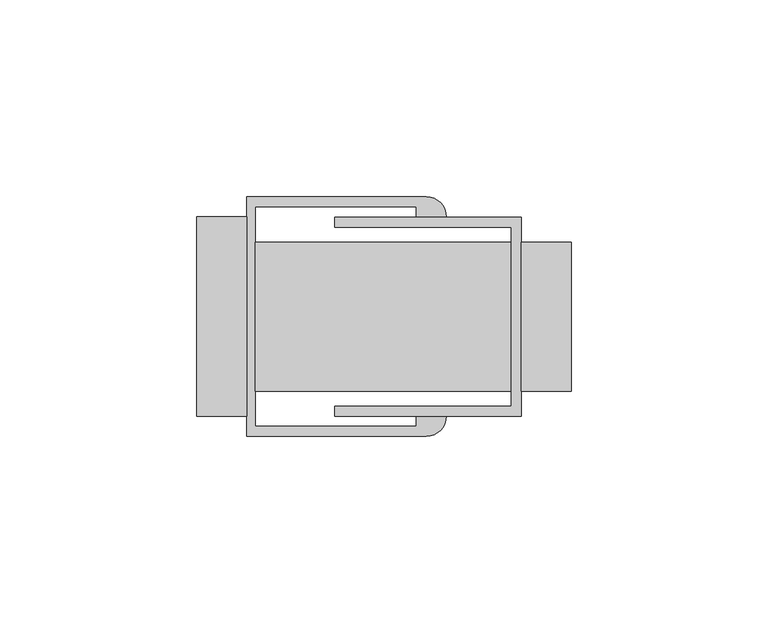
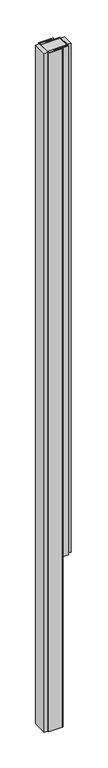
"""IFC4 building model written with IfcOpenShell, lengths in millimetres: proxy geometry."""

import ifcopenshell
import ifcopenshell.guid

model = None  # the IFC model being written
_history = None  # IfcOwnerHistory: only IFC2X3 demands one
_inside = {}  # id of a spatial element -> (the spatial element, [elements in it])
_under = {}  # id of a project, library or spatial element -> (it, [spatial elements below it])
_declared = {}  # id of a project -> (the project, [libraries it declares])
_typed = {}  # id of a type object -> (the type object, [elements of that type])
_made_of = {}  # id of a material, layer set ... -> (it, [elements and type objects made of it])


def new_model(schema):
    """Start an empty IFC model of exactly this schema.

    Asked for "IFC4X3", IfcOpenShell would pick the latest addendum, in which some entities
    have other attributes; the version numbers below select the first issue.
    IFC2X3 requires an IfcOwnerHistory on every rooted entity: one is made here for all.
    """
    global model, _history
    if schema == "IFC4X3":
        model = ifcopenshell.file(schema_version=(4, 3, 0, 0))
    else:
        model = ifcopenshell.file(schema=schema)
    _inside.clear()
    _under.clear()
    _declared.clear()
    _typed.clear()
    _made_of.clear()
    _history = None
    if model.schema == "IFC2X3":
        org = make("IfcOrganization", Name="unknown")
        user = make(
            "IfcPersonAndOrganization",
            ThePerson=make("IfcPerson", FamilyName="unknown"),
            TheOrganization=org,
        )
        app = make(
            "IfcApplication",
            ApplicationDeveloper=org,
            Version="unknown",
            ApplicationFullName="unknown",
            ApplicationIdentifier="unknown",
        )
        _history = make(
            "IfcOwnerHistory",
            OwningUser=user,
            OwningApplication=app,
            ChangeAction="ADDED",
            CreationDate=0,
        )
    return model


def make(cls, **values):
    """One entity of the class cls with the attributes given. An attribute that is None is left unset."""
    return model.create_entity(
        cls, **{name: value for name, value in values.items() if value is not None}
    )


def rooted(cls, **values):
    """An entity with a GlobalId (a new one), such as an element, a storey or a relation."""
    return make(cls, GlobalId=ifcopenshell.guid.new(), OwnerHistory=_history, **values)


def si_unit(unit_type, name, prefix=None):
    """IfcSIUnit, for example si_unit("LENGTHUNIT", "METRE", prefix="MILLI")."""
    return make("IfcSIUnit", UnitType=unit_type, Prefix=prefix, Name=name)


def assignment(units):
    """IfcUnitAssignment: the units of a project."""
    return None if units is None else make("IfcUnitAssignment", Units=units)


def point(xyz):
    """IfcCartesianPoint."""
    return None if xyz is None else make("IfcCartesianPoint", Coordinates=xyz)


def direction(xyz):
    """IfcDirection."""
    return None if xyz is None else make("IfcDirection", DirectionRatios=xyz)


def frame(location, z_axis=None, x_axis=None):
    """IfcAxis2Placement3D, a coordinate frame: its origin and axes. An axis left out is left unset."""
    return make(
        "IfcAxis2Placement3D",
        Location=point(location),
        Axis=direction(z_axis),
        RefDirection=direction(x_axis),
    )


def frame_2d(location, x_axis=None):
    """IfcAxis2Placement2D, a coordinate frame in the plane: its origin and x axis."""
    return make(
        "IfcAxis2Placement2D", Location=point(location), RefDirection=direction(x_axis)
    )


def origin():
    """The frame at (0, 0, 0) with its axes left unset."""
    return frame((0.0, 0.0, 0.0))


def origin_with_axes():
    """The frame at (0, 0, 0) with the z axis (0, 0, 1) and the x axis (1, 0, 0) written out."""
    return frame((0.0, 0.0, 0.0), z_axis=(0.0, 0.0, 1.0), x_axis=(1.0, 0.0, 0.0))


def place(relative_to, where):
    """IfcLocalPlacement: puts the frame where relative to a parent placement (None: the world)."""
    return make(
        "IfcLocalPlacement", PlacementRelTo=relative_to, RelativePlacement=where
    )


def context(
    kind, dimensions, precision=None, world=None, true_north=None, identifier=None
):
    """IfcGeometricRepresentationContext, for example the 3D "Model" context."""
    return make(
        "IfcGeometricRepresentationContext",
        ContextIdentifier=identifier,
        ContextType=kind,
        CoordinateSpaceDimension=dimensions,
        Precision=precision,
        WorldCoordinateSystem=world,
        TrueNorth=true_north,
    )


def project(units=None, contexts=None):
    """IfcProject with its units and contexts."""
    return rooted(
        "IfcProject",
        Name="project",
        RepresentationContexts=contexts,
        UnitsInContext=assignment(units),
    )


def spatial(cls, under=None, at=None, **own):
    """A site, building, storey or space (cls), placed at a placement, below another one or the project."""
    s = rooted(cls, ObjectPlacement=at, **own)
    if under is not None:
        _under.setdefault(under.id(), (under, []))[1].append(s)
    return s


def polyline(points):
    """IfcPolyline through the points."""
    return make("IfcPolyline", Points=[point(p) for p in points])


def circle_curve(where, radius):
    """IfcCircle in the frame where."""
    return make("IfcCircle", Position=where, Radius=radius)


def trimmed(basis, trim1, trim2, sense, master):
    """IfcTrimmedCurve: the piece of a basis curve between two trims."""
    return make(
        "IfcTrimmedCurve",
        BasisCurve=basis,
        Trim1=trim1,
        Trim2=trim2,
        SenseAgreement=sense,
        MasterRepresentation=master,
    )


def segment(curve, same_sense, transition):
    """IfcCompositeCurveSegment."""
    return make(
        "IfcCompositeCurveSegment",
        Transition=transition,
        SameSense=same_sense,
        ParentCurve=curve,
    )


def composite_curve(segments, self_intersect=None):
    """IfcCompositeCurve: segments joined end to end."""
    return make("IfcCompositeCurve", Segments=segments, SelfIntersect=self_intersect)


def outline(outer, holes=None, kind="AREA"):
    """IfcArbitraryClosedProfileDef: a profile drawn as a closed curve; with holes, ...WithVoids."""
    if holes is None:
        return make("IfcArbitraryClosedProfileDef", ProfileType=kind, OuterCurve=outer)
    return make(
        "IfcArbitraryProfileDefWithVoids",
        ProfileType=kind,
        OuterCurve=outer,
        InnerCurves=holes,
    )


def extrude(swept, where, along, depth):
    """IfcExtrudedAreaSolid: the profile swept, set in the frame where, extruded along a direction by depth."""
    return make(
        "IfcExtrudedAreaSolid",
        SweptArea=swept,
        Position=where,
        ExtrudedDirection=direction(along),
        Depth=depth,
    )


def shape(context_of_items, identifier, shape_type, items):
    """IfcShapeRepresentation: the items that make up one representation, for example the "Body"."""
    return make(
        "IfcShapeRepresentation",
        ContextOfItems=context_of_items,
        RepresentationIdentifier=identifier,
        RepresentationType=shape_type,
        Items=items,
    )


def source(mapping_origin, context_of_items, identifier, shape_type, items):
    """IfcRepresentationMap: a shape defined once, which mapped items show again and again."""
    return make(
        "IfcRepresentationMap",
        MappingOrigin=mapping_origin,
        MappedRepresentation=shape(context_of_items, identifier, shape_type, items),
    )


def transform(
    local_origin,
    x_axis=None,
    y_axis=None,
    z_axis=None,
    scale=None,
    scale2=None,
    scale3=None,
    uniform=True,
):
    """IfcCartesianTransformationOperator3D, or its non-uniform kind. x_axis, y_axis, z_axis: its Axis1, 2, 3."""
    if uniform:
        return make(
            "IfcCartesianTransformationOperator3D",
            Axis1=direction(x_axis),
            Axis2=direction(y_axis),
            LocalOrigin=point(local_origin),
            Scale=scale,
            Axis3=direction(z_axis),
        )
    return make(
        "IfcCartesianTransformationOperator3DnonUniform",
        Axis1=direction(x_axis),
        Axis2=direction(y_axis),
        LocalOrigin=point(local_origin),
        Scale=scale,
        Axis3=direction(z_axis),
        Scale2=scale2,
        Scale3=scale3,
    )


def mapped(mapping_source, mapping_target):
    """IfcMappedItem: shows the shape of a source again, moved by a transform."""
    return make(
        "IfcMappedItem", MappingSource=mapping_source, MappingTarget=mapping_target
    )


def made_of(thing, what):
    """Note that an element or type object is made of a material, layer set ...; save() writes the relation."""
    if what is not None:
        _made_of.setdefault(what.id(), (what, []))[1].append(thing)
    return thing


def element(
    cls,
    number,
    at=None,
    inside=None,
    cuts=None,
    type_object=None,
    material=None,
    context=None,
    identifier="Body",
    shape_type=None,
    held_by="IfcProductDefinitionShape",
    body=None,
    shapes=None,
    **own,
):
    """One element of the class cls, such as IfcWall. Its Tag is "e" and its number.

    at: its placement. inside: the storey or other place that contains it. cuts: it is an
    opening in that element (IfcRelVoidsElement). A single representation is given by context,
    identifier, shape_type and body (its items); several are given by shapes. held_by: the class
    of the entity that holds the representations. save() writes the other relations.
    """
    e = rooted(cls, Tag="e%d" % number, ObjectPlacement=at, **own)
    if body is not None:
        shapes = [shape(context, identifier, shape_type, body)]
    if shapes is not None:
        e.Representation = make(held_by, Representations=shapes)
    if inside is not None:
        _inside.setdefault(inside.id(), (inside, []))[1].append(e)
    if cuts is not None:
        rooted(
            "IfcRelVoidsElement", RelatingBuildingElement=cuts, RelatedOpeningElement=e
        )
    if type_object is not None:
        _typed.setdefault(type_object.id(), (type_object, []))[1].append(e)
    return made_of(e, material)


def aggregate(whole, parts):
    """IfcRelAggregates: a whole, such as a stair, and the parts it consists of."""
    return rooted("IfcRelAggregates", RelatingObject=whole, RelatedObjects=parts)


def save(model, path):
    """Write the relations noted so far, then the file.

    IfcRelAggregates (storeys below a building ...), IfcRelContainedInSpatialStructure (elements
    in a storey), IfcRelDefinesByType, IfcRelAssociatesMaterial and IfcRelDeclares: one each for
    every whole, place, type object, material and project.
    """
    for whole, parts in _under.values():
        aggregate(whole, parts)
    for where, things in _inside.values():
        rooted(
            "IfcRelContainedInSpatialStructure",
            RelatedElements=things,
            RelatingStructure=where,
        )
    for kind, things in _typed.values():
        rooted("IfcRelDefinesByType", RelatedObjects=things, RelatingType=kind)
    for what, things in _made_of.values():
        rooted("IfcRelAssociatesMaterial", RelatedObjects=things, RelatingMaterial=what)
    for by, libraries in _declared.values():
        rooted("IfcRelDeclares", RelatingContext=by, RelatedDefinitions=libraries)
    model.write(path)


def generic_models_d8a00798(model_context):
    return source(origin(), model_context, "Body", "SweptSolid", [
        extrude(outline(polyline([(3.2003429, 7.832725), (3.2003429, -30.057725), (-9.4767525, -30.057725), (-9.4767525, 7.832725), (3.2003429, 7.832725)])), frame((0.0, 0.0, 609.6), z_axis=(0.0, 0.0, 1.0), x_axis=(1.0, 0.0, 0.0)), (0.0, 0.0, 1.0), 1828.8),
        extrude(outline(polyline([(-56.9747525, 11.642725), (-56.9747525, 14.182725), (-9.4767525, 14.182725), (-9.4767525, -36.407725), (-56.9747525, -36.407725), (-56.9747525, -33.867725), (-12.0167525, -33.867725), (-12.0167525, 11.642725), (-56.9747525, 11.642725)])), frame((0.0, 0.0, 609.6), z_axis=(0.0, 0.0, 1.0), x_axis=(1.0, 0.0, 0.0)), (0.0, 0.0, 1.0), 1828.8),
        extrude(outline(polyline([(-79.3725617, 14.2875), (-79.3725617, -36.5125), (-92.0496571, -36.5125), (-92.0496571, 14.2875), (-79.3725617, 14.2875)])), origin_with_axes(), (0.0, 0.0, 1.0), 2438.4),
        extrude(outline(polyline([(-12.0167525, 7.832725), (-12.0167525, -30.057725), (-77.2019926, -30.057725), (-77.2019926, 7.832725), (-12.0167525, 7.832725)])), frame((0.0, 0.0, 609.6), z_axis=(0.0, 0.0, 1.0), x_axis=(1.0, 0.0, 0.0)), (0.0, 0.0, 1.0), 1828.8),
        extrude(outline(composite_curve([segment(polyline([(-36.1858745, 16.8275), (-77.2019926, 16.8275), (-77.2019926, -39.0128125), (-36.1858745, -39.0128125), (-36.1858745, -36.4728125), (-28.5658745, -36.4728125)]), True, "CONTINUOUS"), segment(trimmed(circle_curve(frame_2d((-33.6458745, -36.4728125)), 5.08), [point((-28.5658745, -36.4728125))], [point((-33.6458745, -41.5528125))], False, "CARTESIAN"), True, "CONTINUOUS"), segment(polyline([(-33.6458745, -41.5528125), (-79.3725617, -41.5528125), (-79.3725617, 19.3675), (-33.6458745, 19.3675)]), True, "CONTINUOUS"), segment(trimmed(circle_curve(frame_2d((-33.6458745, 14.2875)), 5.08), [point((-33.6458745, 19.3675))], [point((-28.5658745, 14.2875))], False, "CARTESIAN"), True, "CONTINUOUS"), segment(polyline([(-28.5658745, 14.2875), (-36.1858745, 14.2875), (-36.1858745, 16.8275)]), True, "CONTINUOUS")], self_intersect=False)), origin_with_axes(), (0.0, 0.0, 1.0), 2438.4),
    ])


if __name__ == "__main__":
    model = new_model("IFC4")
    model_context = context("Model", 3, world=origin())
    ifc_project = project(units=[si_unit("LENGTHUNIT", "METRE", prefix="MILLI")], contexts=[model_context])
    site = spatial("IfcSite", under=ifc_project)
    building = spatial("IfcBuilding", under=site)
    placement = place(None, origin())
    generic_models_shape = generic_models_d8a00798(model_context)
    element("IfcBuildingElementProxy", 1, Name="Generic Models", at=placement, inside=building, context=model_context, shape_type="MappedRepresentation", body=[
        mapped(generic_models_shape, transform((0.0, 0.0, 0.0), x_axis=(1.0, 0.0, 0.0), y_axis=(0.0, 1.0, 0.0), z_axis=(0.0, 0.0, 1.0))),
    ])
    save(model, "model.ifc")
